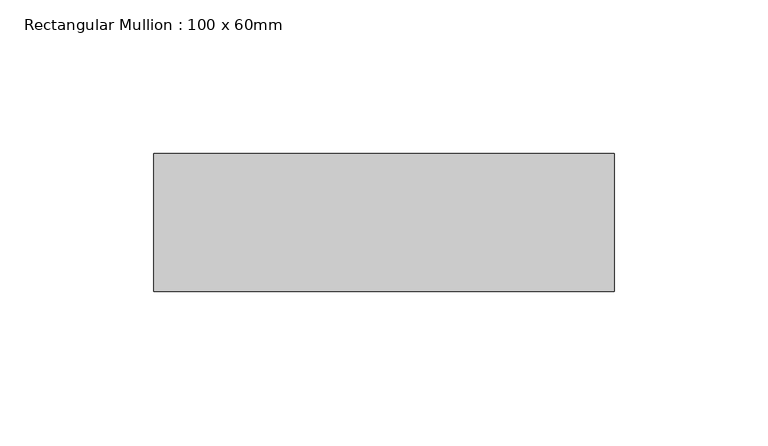
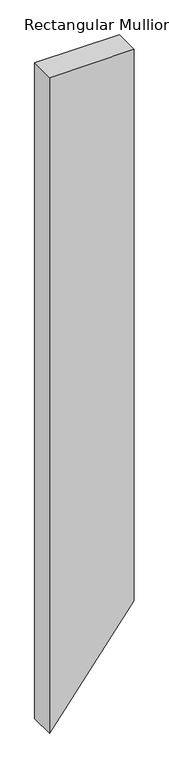
"""IFC4 building model written with IfcOpenShell, lengths in millimetres: member geometry, Rectangular Mullion : 100 x 60mm."""

from ifc_helpers import new_model, si_unit, frame, origin, place, context, project, spatial, polyline, outline, extrude, source, transform, mapped, element, save


def rectangular_mullion_100_x_60mm_44c34141(model_context):
    return source(origin(), model_context, "Body", "SweptSolid", [
        extrude(outline(polyline([(0.0, 75.0), (0.0, -75.0), (-1228.2937864, -75.0), (-1032.8099805, 75.0), (0.0, 75.0)])), frame((0.0, -30.0, 0.0), z_axis=(0.0, 1.0, 0.0), x_axis=(0.0, 0.0, 1.0)), (0.0, 0.0, 1.0), 45.0),
    ])


if __name__ == "__main__":
    model = new_model("IFC4")
    model_context = context("Model", 3, world=origin())
    ifc_project = project(units=[si_unit("LENGTHUNIT", "METRE", prefix="MILLI")], contexts=[model_context])
    site = spatial("IfcSite", under=ifc_project)
    building = spatial("IfcBuilding", under=site)
    placement = place(None, origin())
    rectangular_mullion_100_x_60mm_shape = rectangular_mullion_100_x_60mm_44c34141(model_context)
    element("IfcMember", 1, ObjectType="Rectangular Mullion : 100 x 60mm", at=placement, inside=building, context=model_context, shape_type="MappedRepresentation", body=[
        mapped(rectangular_mullion_100_x_60mm_shape, transform((0.0, 0.0, 0.0), x_axis=(1.0, 0.0, 0.0), y_axis=(0.0, 1.0, 0.0), z_axis=(0.0, 0.0, 1.0))),
    ])
    save(model, "model.ifc")
